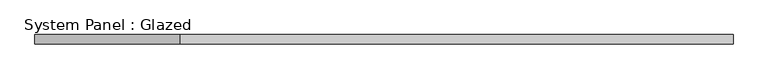
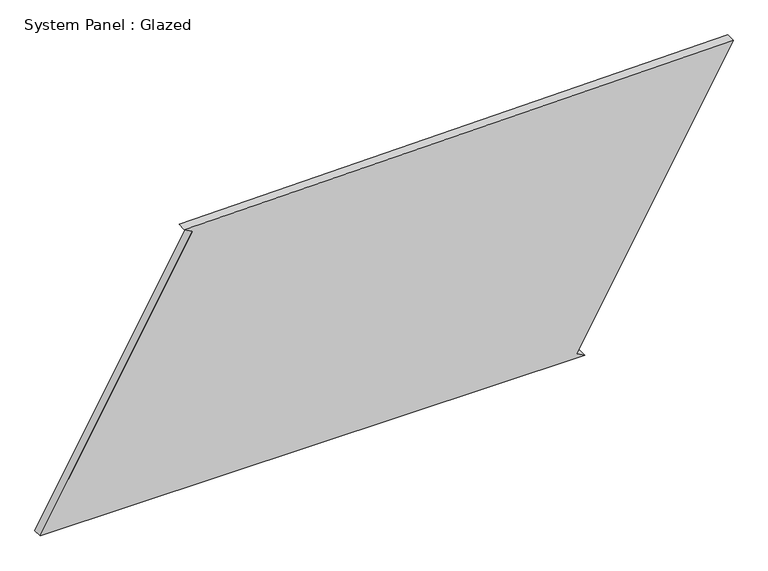
"""IFC4 building model written with IfcOpenShell, lengths in millimetres: plate geometry, System Panel : Glazed."""

from ifc_helpers import new_model, si_unit, frame, origin, place, context, project, spatial, polyline, outline, extrude, source, transform, mapped, element, save


def system_panel_glazed_46a88cdb(model_context):
    return source(origin(), model_context, "Body", "SweptSolid", [
        extrude(outline(polyline([(0.0, -954.5112638), (0.0, 546.1021396), (12.2755414, 524.3234555), (775.4943736, 954.5112638), (752.8908549, -557.4877931), (740.5851141, -535.7261584), (0.0, -954.5112638)])), frame((0.0, -49.5, 0.0), z_axis=(0.0, 1.0, 0.0), x_axis=(0.0, 0.0, 1.0)), (0.0, 0.0, 1.0), 25.0),
    ])


if __name__ == "__main__":
    model = new_model("IFC4")
    model_context = context("Model", 3, world=origin())
    ifc_project = project(units=[si_unit("LENGTHUNIT", "METRE", prefix="MILLI")], contexts=[model_context])
    site = spatial("IfcSite", under=ifc_project)
    building = spatial("IfcBuilding", under=site)
    placement = place(None, origin())
    system_panel_glazed_shape = system_panel_glazed_46a88cdb(model_context)
    element("IfcPlate", 1, ObjectType="System Panel : Glazed", at=placement, inside=building, context=model_context, shape_type="MappedRepresentation", body=[
        mapped(system_panel_glazed_shape, transform((0.0, 0.0, 0.0), x_axis=(1.0, 0.0, 0.0), y_axis=(0.0, 1.0, 0.0), z_axis=(0.0, 0.0, 1.0))),
    ])
    save(model, "model.ifc")
